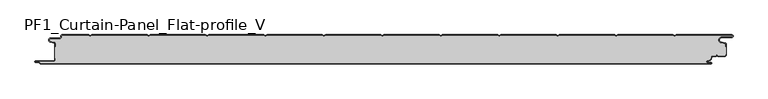
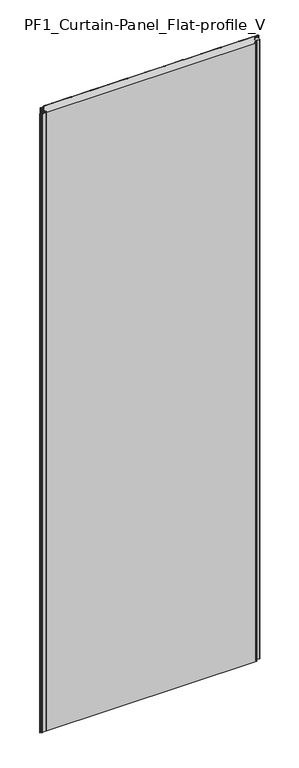
"""IFC4 building model written with IfcOpenShell, lengths in millimetres: plate geometry, PF1_Curtain-Panel_Flat-profile_V."""

import ifcopenshell
import ifcopenshell.guid

model = None  # the IFC model being written
_history = None  # IfcOwnerHistory: only IFC2X3 demands one
_inside = {}  # id of a spatial element -> (the spatial element, [elements in it])
_under = {}  # id of a project, library or spatial element -> (it, [spatial elements below it])
_declared = {}  # id of a project -> (the project, [libraries it declares])
_typed = {}  # id of a type object -> (the type object, [elements of that type])
_made_of = {}  # id of a material, layer set ... -> (it, [elements and type objects made of it])


def new_model(schema):
    """Start an empty IFC model of exactly this schema.

    Asked for "IFC4X3", IfcOpenShell would pick the latest addendum, in which some entities
    have other attributes; the version numbers below select the first issue.
    IFC2X3 requires an IfcOwnerHistory on every rooted entity: one is made here for all.
    """
    global model, _history
    if schema == "IFC4X3":
        model = ifcopenshell.file(schema_version=(4, 3, 0, 0))
    else:
        model = ifcopenshell.file(schema=schema)
    _inside.clear()
    _under.clear()
    _declared.clear()
    _typed.clear()
    _made_of.clear()
    _history = None
    if model.schema == "IFC2X3":
        org = make("IfcOrganization", Name="unknown")
        user = make(
            "IfcPersonAndOrganization",
            ThePerson=make("IfcPerson", FamilyName="unknown"),
            TheOrganization=org,
        )
        app = make(
            "IfcApplication",
            ApplicationDeveloper=org,
            Version="unknown",
            ApplicationFullName="unknown",
            ApplicationIdentifier="unknown",
        )
        _history = make(
            "IfcOwnerHistory",
            OwningUser=user,
            OwningApplication=app,
            ChangeAction="ADDED",
            CreationDate=0,
        )
    return model


def make(cls, **values):
    """One entity of the class cls with the attributes given. An attribute that is None is left unset."""
    return model.create_entity(
        cls, **{name: value for name, value in values.items() if value is not None}
    )


def rooted(cls, **values):
    """An entity with a GlobalId (a new one), such as an element, a storey or a relation."""
    return make(cls, GlobalId=ifcopenshell.guid.new(), OwnerHistory=_history, **values)


def si_unit(unit_type, name, prefix=None):
    """IfcSIUnit, for example si_unit("LENGTHUNIT", "METRE", prefix="MILLI")."""
    return make("IfcSIUnit", UnitType=unit_type, Prefix=prefix, Name=name)


def assignment(units):
    """IfcUnitAssignment: the units of a project."""
    return None if units is None else make("IfcUnitAssignment", Units=units)


def point(xyz):
    """IfcCartesianPoint."""
    return None if xyz is None else make("IfcCartesianPoint", Coordinates=xyz)


def direction(xyz):
    """IfcDirection."""
    return None if xyz is None else make("IfcDirection", DirectionRatios=xyz)


def frame(location, z_axis=None, x_axis=None):
    """IfcAxis2Placement3D, a coordinate frame: its origin and axes. An axis left out is left unset."""
    return make(
        "IfcAxis2Placement3D",
        Location=point(location),
        Axis=direction(z_axis),
        RefDirection=direction(x_axis),
    )


def frame_2d(location, x_axis=None):
    """IfcAxis2Placement2D, a coordinate frame in the plane: its origin and x axis."""
    return make(
        "IfcAxis2Placement2D", Location=point(location), RefDirection=direction(x_axis)
    )


def origin():
    """The frame at (0, 0, 0) with its axes left unset."""
    return frame((0.0, 0.0, 0.0))


def origin_with_axes():
    """The frame at (0, 0, 0) with the z axis (0, 0, 1) and the x axis (1, 0, 0) written out."""
    return frame((0.0, 0.0, 0.0), z_axis=(0.0, 0.0, 1.0), x_axis=(1.0, 0.0, 0.0))


def place(relative_to, where):
    """IfcLocalPlacement: puts the frame where relative to a parent placement (None: the world)."""
    return make(
        "IfcLocalPlacement", PlacementRelTo=relative_to, RelativePlacement=where
    )


def context(
    kind, dimensions, precision=None, world=None, true_north=None, identifier=None
):
    """IfcGeometricRepresentationContext, for example the 3D "Model" context."""
    return make(
        "IfcGeometricRepresentationContext",
        ContextIdentifier=identifier,
        ContextType=kind,
        CoordinateSpaceDimension=dimensions,
        Precision=precision,
        WorldCoordinateSystem=world,
        TrueNorth=true_north,
    )


def project(units=None, contexts=None):
    """IfcProject with its units and contexts."""
    return rooted(
        "IfcProject",
        Name="project",
        RepresentationContexts=contexts,
        UnitsInContext=assignment(units),
    )


def spatial(cls, under=None, at=None, **own):
    """A site, building, storey or space (cls), placed at a placement, below another one or the project."""
    s = rooted(cls, ObjectPlacement=at, **own)
    if under is not None:
        _under.setdefault(under.id(), (under, []))[1].append(s)
    return s


def polyline(points):
    """IfcPolyline through the points."""
    return make("IfcPolyline", Points=[point(p) for p in points])


def circle_curve(where, radius):
    """IfcCircle in the frame where."""
    return make("IfcCircle", Position=where, Radius=radius)


def trimmed(basis, trim1, trim2, sense, master):
    """IfcTrimmedCurve: the piece of a basis curve between two trims."""
    return make(
        "IfcTrimmedCurve",
        BasisCurve=basis,
        Trim1=trim1,
        Trim2=trim2,
        SenseAgreement=sense,
        MasterRepresentation=master,
    )


def segment(curve, same_sense, transition):
    """IfcCompositeCurveSegment."""
    return make(
        "IfcCompositeCurveSegment",
        Transition=transition,
        SameSense=same_sense,
        ParentCurve=curve,
    )


def composite_curve(segments, self_intersect=None):
    """IfcCompositeCurve: segments joined end to end."""
    return make("IfcCompositeCurve", Segments=segments, SelfIntersect=self_intersect)


def outline(outer, holes=None, kind="AREA"):
    """IfcArbitraryClosedProfileDef: a profile drawn as a closed curve; with holes, ...WithVoids."""
    if holes is None:
        return make("IfcArbitraryClosedProfileDef", ProfileType=kind, OuterCurve=outer)
    return make(
        "IfcArbitraryProfileDefWithVoids",
        ProfileType=kind,
        OuterCurve=outer,
        InnerCurves=holes,
    )


def extrude(swept, where, along, depth):
    """IfcExtrudedAreaSolid: the profile swept, set in the frame where, extruded along a direction by depth."""
    return make(
        "IfcExtrudedAreaSolid",
        SweptArea=swept,
        Position=where,
        ExtrudedDirection=direction(along),
        Depth=depth,
    )


def shape(context_of_items, identifier, shape_type, items):
    """IfcShapeRepresentation: the items that make up one representation, for example the "Body"."""
    return make(
        "IfcShapeRepresentation",
        ContextOfItems=context_of_items,
        RepresentationIdentifier=identifier,
        RepresentationType=shape_type,
        Items=items,
    )


def source(mapping_origin, context_of_items, identifier, shape_type, items):
    """IfcRepresentationMap: a shape defined once, which mapped items show again and again."""
    return make(
        "IfcRepresentationMap",
        MappingOrigin=mapping_origin,
        MappedRepresentation=shape(context_of_items, identifier, shape_type, items),
    )


def transform(
    local_origin,
    x_axis=None,
    y_axis=None,
    z_axis=None,
    scale=None,
    scale2=None,
    scale3=None,
    uniform=True,
):
    """IfcCartesianTransformationOperator3D, or its non-uniform kind. x_axis, y_axis, z_axis: its Axis1, 2, 3."""
    if uniform:
        return make(
            "IfcCartesianTransformationOperator3D",
            Axis1=direction(x_axis),
            Axis2=direction(y_axis),
            LocalOrigin=point(local_origin),
            Scale=scale,
            Axis3=direction(z_axis),
        )
    return make(
        "IfcCartesianTransformationOperator3DnonUniform",
        Axis1=direction(x_axis),
        Axis2=direction(y_axis),
        LocalOrigin=point(local_origin),
        Scale=scale,
        Axis3=direction(z_axis),
        Scale2=scale2,
        Scale3=scale3,
    )


def mapped(mapping_source, mapping_target):
    """IfcMappedItem: shows the shape of a source again, moved by a transform."""
    return make(
        "IfcMappedItem", MappingSource=mapping_source, MappingTarget=mapping_target
    )


def made_of(thing, what):
    """Note that an element or type object is made of a material, layer set ...; save() writes the relation."""
    if what is not None:
        _made_of.setdefault(what.id(), (what, []))[1].append(thing)
    return thing


def element(
    cls,
    number,
    at=None,
    inside=None,
    cuts=None,
    type_object=None,
    material=None,
    context=None,
    identifier="Body",
    shape_type=None,
    held_by="IfcProductDefinitionShape",
    body=None,
    shapes=None,
    **own,
):
    """One element of the class cls, such as IfcWall. Its Tag is "e" and its number.

    at: its placement. inside: the storey or other place that contains it. cuts: it is an
    opening in that element (IfcRelVoidsElement). A single representation is given by context,
    identifier, shape_type and body (its items); several are given by shapes. held_by: the class
    of the entity that holds the representations. save() writes the other relations.
    """
    e = rooted(cls, Tag="e%d" % number, ObjectPlacement=at, **own)
    if body is not None:
        shapes = [shape(context, identifier, shape_type, body)]
    if shapes is not None:
        e.Representation = make(held_by, Representations=shapes)
    if inside is not None:
        _inside.setdefault(inside.id(), (inside, []))[1].append(e)
    if cuts is not None:
        rooted(
            "IfcRelVoidsElement", RelatingBuildingElement=cuts, RelatedOpeningElement=e
        )
    if type_object is not None:
        _typed.setdefault(type_object.id(), (type_object, []))[1].append(e)
    return made_of(e, material)


def aggregate(whole, parts):
    """IfcRelAggregates: a whole, such as a stair, and the parts it consists of."""
    return rooted("IfcRelAggregates", RelatingObject=whole, RelatedObjects=parts)


def save(model, path):
    """Write the relations noted so far, then the file.

    IfcRelAggregates (storeys below a building ...), IfcRelContainedInSpatialStructure (elements
    in a storey), IfcRelDefinesByType, IfcRelAssociatesMaterial and IfcRelDeclares: one each for
    every whole, place, type object, material and project.
    """
    for whole, parts in _under.values():
        aggregate(whole, parts)
    for where, things in _inside.values():
        rooted(
            "IfcRelContainedInSpatialStructure",
            RelatedElements=things,
            RelatingStructure=where,
        )
    for kind, things in _typed.values():
        rooted("IfcRelDefinesByType", RelatedObjects=things, RelatingType=kind)
    for what, things in _made_of.values():
        rooted("IfcRelAssociatesMaterial", RelatedObjects=things, RelatingMaterial=what)
    for by, libraries in _declared.values():
        rooted("IfcRelDeclares", RelatingContext=by, RelatedDefinitions=libraries)
    model.write(path)


def pf1_curtain_panel_flat_profile_v_05da04cb(model_context):
    return source(origin(), model_context, "Body", "SweptSolid", [
        extrude(outline(composite_curve([segment(trimmed(circle_curve(frame_2d((-577.0, -15.878557)), 2.0), [point((-575.0, -15.878557))], [point((-576.5500978, -13.9298169))], True, "CARTESIAN"), True, "CONTINUOUS"), segment(polyline([(-576.5500978, -13.9298169), (-582.7098239, -12.507732)]), True, "CONTINUOUS"), segment(trimmed(circle_curve(frame_2d((-581.9, -9.0)), 3.6), [point((-582.7098239, -12.507732))], [point((-581.9, -5.4))], False, "CARTESIAN"), True, "CONTINUOUS"), segment(polyline([(-581.9, -5.4), (-566.4, -5.4)]), True, "CONTINUOUS"), segment(trimmed(circle_curve(frame_2d((-566.4, -3.4)), 2.0), [point((-566.4, -5.4))], [point((-564.4, -3.4))], True, "CARTESIAN"), True, "CONTINUOUS"), segment(polyline([(-564.4, -3.4), (-564.4, -2.0)]), True, "CONTINUOUS"), segment(trimmed(circle_curve(frame_2d((-562.4, -2.0)), 2.0), [point((-564.4, -2.0))], [point((-562.4, 0.0))], False, "CARTESIAN"), True, "CONTINUOUS"), segment(polyline([(-562.4, 0.0), (-517.0999995, 0.0), (-514.4, -1.5588455), (-511.7000005, 0.0), (-417.0999995, 0.0), (-414.4, -1.5588455), (-411.7000005, 0.0), (-317.0999995, 0.0), (-314.4, -1.5588455), (-311.7000005, 0.0), (-217.0999995, 0.0), (-214.4, -1.5588455), (-211.7000005, 0.0), (-117.0999995, 0.0), (-114.4, -1.5588455), (-111.7000005, 0.0), (-17.0999995, 0.0), (-14.4, -1.5588455), (-11.7000005, 0.0), (82.9000005, 0.0), (85.6, -1.5588455), (88.2999995, 0.0), (182.9000005, 0.0), (185.6, -1.5588455), (188.2999995, 0.0), (282.9000005, 0.0), (285.6, -1.5588455), (288.2999995, 0.0), (382.9000005, 0.0), (385.6, -1.5588455), (388.2999995, 0.0), (482.9000005, 0.0), (485.6, -1.5588455), (488.2999995, 0.0), (583.268846, 0.0)]), True, "CONTINUOUS"), segment(trimmed(circle_curve(frame_2d((583.268846, -2.5)), 2.5), [point((583.268846, 0.0))], [point((583.268846, -5.0))], False, "CARTESIAN"), True, "CONTINUOUS"), segment(polyline([(583.268846, -5.0), (566.268846, -5.0)]), True, "CONTINUOUS"), segment(trimmed(circle_curve(frame_2d((566.268846, -9.0)), 4.0), [point((566.268846, -5.0))], [point((565.574253, -12.939231))], True, "CARTESIAN"), True, "CONTINUOUS"), segment(polyline([(565.574253, -12.939231), (572.0203315, -14.0758491)]), True, "CONTINUOUS"), segment(trimmed(circle_curve(frame_2d((571.568846, -16.6363492)), 2.6), [point((572.0203315, -14.0758491))], [point((574.168846, -16.6363492))], False, "CARTESIAN"), True, "CONTINUOUS"), segment(polyline([(574.168846, -16.6363492), (574.168846, -20.0), (573.368846, -20.0), (573.368846, -16.6363492)]), True, "CONTINUOUS"), segment(trimmed(circle_curve(frame_2d((571.568846, -16.6363492)), 1.8), [point((573.368846, -16.6363492))], [point((571.8814129, -14.8636953))], True, "CARTESIAN"), True, "CONTINUOUS"), segment(polyline([(571.8814129, -14.8636953), (565.4353344, -13.7270772)]), True, "CONTINUOUS"), segment(trimmed(circle_curve(frame_2d((566.268846, -9.0)), 4.8), [point((565.4353344, -13.7270772))], [point((566.268846, -4.2))], False, "CARTESIAN"), True, "CONTINUOUS"), segment(polyline([(566.268846, -4.2), (583.268846, -4.2)]), True, "CONTINUOUS"), segment(trimmed(circle_curve(frame_2d((583.268846, -2.5)), 1.7), [point((583.268846, -4.2))], [point((583.268846, -0.8))], True, "CARTESIAN"), True, "CONTINUOUS"), segment(polyline([(583.268846, -0.8), (488.5143588, -0.8), (485.6, -2.482606), (482.6856412, -0.8), (388.5143588, -0.8), (385.6, -2.482606), (382.6856412, -0.8), (288.5143588, -0.8), (285.6, -2.482606), (282.6856412, -0.8), (188.5143588, -0.8), (185.6, -2.482606), (182.6856412, -0.8), (88.5143588, -0.8), (85.6, -2.482606), (82.6856412, -0.8), (-11.4856412, -0.8), (-14.4, -2.482606), (-17.3143588, -0.8), (-111.4856412, -0.8), (-114.4, -2.482606), (-117.3143588, -0.8), (-211.4856412, -0.8), (-214.4, -2.482606), (-217.3143588, -0.8), (-311.4856412, -0.8), (-314.4, -2.482606), (-317.3143588, -0.8), (-411.4856412, -0.8), (-414.4, -2.482606), (-417.3143588, -0.8), (-511.4856412, -0.8), (-514.4, -2.482606), (-517.3143588, -0.8), (-562.4, -0.8)]), True, "CONTINUOUS"), segment(trimmed(circle_curve(frame_2d((-562.4, -2.0)), 1.2), [point((-562.4, -0.8))], [point((-563.6, -2.0))], True, "CARTESIAN"), True, "CONTINUOUS"), segment(polyline([(-563.6, -2.0), (-563.6, -3.4)]), True, "CONTINUOUS"), segment(trimmed(circle_curve(frame_2d((-566.4, -3.4)), 2.8), [point((-563.6, -3.4))], [point((-566.4, -6.2))], False, "CARTESIAN"), True, "CONTINUOUS"), segment(polyline([(-566.4, -6.2), (-581.9, -6.2)]), True, "CONTINUOUS"), segment(trimmed(circle_curve(frame_2d((-581.9, -9.0)), 2.8), [point((-581.9, -6.2))], [point((-582.529863, -11.7282362))], True, "CARTESIAN"), True, "CONTINUOUS"), segment(polyline([(-582.529863, -11.7282362), (-576.370137, -13.150321)]), True, "CONTINUOUS"), segment(trimmed(circle_curve(frame_2d((-577.0, -15.878557)), 2.8), [point((-576.370137, -13.150321))], [point((-574.2, -15.878557))], False, "CARTESIAN"), True, "CONTINUOUS"), segment(polyline([(-574.2, -15.878557), (-574.2, -20.0), (-575.0, -20.0), (-575.0, -15.878557)]), True, "CONTINUOUS")], self_intersect=False)), origin_with_axes(), (0.0, 0.0, 1.0), 3500.0),
        extrude(outline(composite_curve([segment(polyline([(-574.2, -40.0), (-575.0, -40.0), (-575.0, -20.0), (-574.2, -20.0), (-574.2, -15.878557)]), True, "CONTINUOUS"), segment(trimmed(circle_curve(frame_2d((-577.0, -15.878557)), 2.8), [point((-574.2, -15.878557))], [point((-576.370137, -13.1503208))], True, "CARTESIAN"), True, "CONTINUOUS"), segment(polyline([(-576.370137, -13.1503208), (-582.529863, -11.7282362)]), True, "CONTINUOUS"), segment(trimmed(circle_curve(frame_2d((-581.9, -9.0)), 2.8), [point((-582.529863, -11.7282362))], [point((-581.9, -6.2))], False, "CARTESIAN"), True, "CONTINUOUS"), segment(polyline([(-581.9, -6.2), (-566.4, -6.2)]), True, "CONTINUOUS"), segment(trimmed(circle_curve(frame_2d((-566.4, -3.4)), 2.8), [point((-566.4, -6.2))], [point((-563.6, -3.4))], True, "CARTESIAN"), True, "CONTINUOUS"), segment(polyline([(-563.6, -3.4), (-563.6, -2.0)]), True, "CONTINUOUS"), segment(trimmed(circle_curve(frame_2d((-562.4, -2.0)), 1.2), [point((-563.6, -2.0))], [point((-562.4, -0.8))], False, "CARTESIAN"), True, "CONTINUOUS"), segment(polyline([(-562.4, -0.8), (-517.3143588, -0.8), (-514.4, -2.482606), (-511.4856412, -0.8), (-417.3143588, -0.8), (-414.4, -2.482606), (-411.4856412, -0.8), (-317.3143588, -0.8), (-314.4, -2.482606), (-311.4856412, -0.8), (-217.3143588, -0.8), (-214.4, -2.482606), (-211.4856412, -0.8), (-117.3143588, -0.8), (-114.4, -2.482606), (-111.4856412, -0.8), (-17.3143588, -0.8), (-14.4, -2.482606), (-11.4856412, -0.8), (82.6856412, -0.8), (85.6, -2.482606), (88.5143588, -0.8), (182.6856412, -0.8), (185.6, -2.482606), (188.5143588, -0.8), (282.6856412, -0.8), (285.6, -2.482606), (288.5143588, -0.8), (382.6856412, -0.8), (385.6, -2.482606), (388.5143588, -0.8), (482.6856412, -0.8), (485.6, -2.482606), (488.5143588, -0.8), (583.268846, -0.8)]), True, "CONTINUOUS"), segment(trimmed(circle_curve(frame_2d((583.268846, -2.5)), 1.7), [point((583.268846, -0.8))], [point((583.268846, -4.2))], False, "CARTESIAN"), True, "CONTINUOUS"), segment(polyline([(583.268846, -4.2), (566.268846, -4.2)]), True, "CONTINUOUS"), segment(trimmed(circle_curve(frame_2d((566.268846, -9.0)), 4.8), [point((566.268846, -4.2))], [point((565.4353344, -13.7270772))], True, "CARTESIAN"), True, "CONTINUOUS"), segment(polyline([(565.4353344, -13.7270772), (571.8814129, -14.8636953)]), True, "CONTINUOUS"), segment(trimmed(circle_curve(frame_2d((571.568846, -16.6363492)), 1.8), [point((571.8814129, -14.8636953))], [point((573.368846, -16.6363492))], False, "CARTESIAN"), True, "CONTINUOUS"), segment(polyline([(573.368846, -16.6363492), (573.368846, -20.0), (574.168846, -20.0), (574.168846, -33.0), (573.368846, -33.0), (573.368846, -34.4)]), True, "CONTINUOUS"), segment(trimmed(circle_curve(frame_2d((571.568846, -34.4)), 1.8), [point((573.368846, -34.4))], [point((571.568846, -36.2))], False, "CARTESIAN"), True, "CONTINUOUS"), segment(polyline([(571.568846, -36.2), (560.0002158, -36.2), (558.168846, -34.3686285), (556.3374762, -36.2), (550.168846, -36.2)]), True, "CONTINUOUS"), segment(trimmed(circle_curve(frame_2d((550.168846, -38.0)), 1.8), [point((550.168846, -36.2))], [point((548.368846, -38.0))], True, "CARTESIAN"), True, "CONTINUOUS"), segment(polyline([(548.368846, -38.0), (548.368846, -38.8276204)]), True, "CONTINUOUS"), segment(trimmed(circle_curve(frame_2d((542.9964664, -38.8276204)), 5.3723796), [point((548.368846, -38.8276204))], [point((542.9964664, -44.2))], False, "CARTESIAN"), True, "CONTINUOUS"), segment(polyline([(542.9964664, -44.2), (542.168846, -44.2)]), True, "CONTINUOUS"), segment(trimmed(circle_curve(frame_2d((542.168846, -46.4)), 2.2), [point((542.168846, -44.2))], [point((542.168846, -48.6))], True, "CARTESIAN"), True, "CONTINUOUS"), segment(polyline([(542.168846, -48.6), (548.0579973, -48.6)]), True, "CONTINUOUS"), segment(trimmed(circle_curve(frame_2d((548.0579973, -48.9)), 0.3), [point((548.0579973, -48.6))], [point((548.0579973, -49.2))], False, "CARTESIAN"), True, "CONTINUOUS"), segment(polyline([(548.0579973, -49.2), (-599.4, -49.2)]), True, "CONTINUOUS"), segment(trimmed(circle_curve(frame_2d((-599.4, -48.4)), 0.8), [point((-599.4, -49.2))], [point((-600.2, -48.4))], False, "CARTESIAN"), True, "CONTINUOUS"), segment(trimmed(circle_curve(frame_2d((-601.9, -48.6133333)), 1.7133333), [point((-600.2, -48.4))], [point((-601.9, -46.9))], True, "CARTESIAN"), True, "CONTINUOUS"), segment(polyline([(-601.9, -46.9), (-607.8700312, -46.9)]), True, "CONTINUOUS"), segment(trimmed(circle_curve(frame_2d((-607.8700312, -46.6)), 0.3), [point((-607.8700312, -46.9))], [point((-607.8700312, -46.3))], False, "CARTESIAN"), True, "CONTINUOUS"), segment(polyline([(-607.8700312, -46.3), (-577.0, -46.3)]), True, "CONTINUOUS"), segment(trimmed(circle_curve(frame_2d((-577.0, -43.5)), 2.8), [point((-577.0, -46.3))], [point((-574.2, -43.5))], True, "CARTESIAN"), True, "CONTINUOUS"), segment(polyline([(-574.2, -43.5), (-574.2, -40.0)]), True, "CONTINUOUS")], self_intersect=False)), origin_with_axes(), (0.0, 0.0, 1.0), 3500.0),
        extrude(outline(composite_curve([segment(polyline([(-575.0, -40.0), (-574.2, -40.0), (-574.2, -43.5)]), True, "CONTINUOUS"), segment(trimmed(circle_curve(frame_2d((-577.0, -43.5)), 2.8), [point((-574.2, -43.5))], [point((-577.0, -46.3))], False, "CARTESIAN"), True, "CONTINUOUS"), segment(polyline([(-577.0, -46.3), (-607.8700312, -46.3)]), True, "CONTINUOUS"), segment(trimmed(circle_curve(frame_2d((-607.8700312, -46.6)), 0.3), [point((-607.8700312, -46.3))], [point((-607.8700312, -46.9))], True, "CARTESIAN"), True, "CONTINUOUS"), segment(polyline([(-607.8700312, -46.9), (-601.9, -46.9)]), True, "CONTINUOUS"), segment(trimmed(circle_curve(frame_2d((-601.9, -48.6133333)), 1.7133333), [point((-601.9, -46.9))], [point((-600.2, -48.4))], False, "CARTESIAN"), True, "CONTINUOUS"), segment(trimmed(circle_curve(frame_2d((-599.4, -48.4)), 0.8), [point((-600.2, -48.4))], [point((-599.4, -49.2))], True, "CARTESIAN"), True, "CONTINUOUS"), segment(polyline([(-599.4, -49.2), (548.0579973, -49.2)]), True, "CONTINUOUS"), segment(trimmed(circle_curve(frame_2d((548.0579973, -48.9)), 0.3), [point((548.0579973, -49.2))], [point((548.0579973, -48.6))], True, "CARTESIAN"), True, "CONTINUOUS"), segment(polyline([(548.0579973, -48.6), (542.168846, -48.6)]), True, "CONTINUOUS"), segment(trimmed(circle_curve(frame_2d((542.168846, -46.4)), 2.2), [point((542.168846, -48.6))], [point((542.168846, -44.2))], False, "CARTESIAN"), True, "CONTINUOUS"), segment(polyline([(542.168846, -44.2), (542.9964664, -44.2)]), True, "CONTINUOUS"), segment(trimmed(circle_curve(frame_2d((542.9964664, -38.8276204)), 5.3723796), [point((542.9964664, -44.2))], [point((548.368846, -38.8276204))], True, "CARTESIAN"), True, "CONTINUOUS"), segment(polyline([(548.368846, -38.8276204), (548.368846, -38.0)]), True, "CONTINUOUS"), segment(trimmed(circle_curve(frame_2d((550.168846, -38.0)), 1.8), [point((548.368846, -38.0))], [point((550.168846, -36.2))], False, "CARTESIAN"), True, "CONTINUOUS"), segment(polyline([(550.168846, -36.2), (556.3374762, -36.2), (558.168846, -34.3686285), (560.0002158, -36.2), (571.568846, -36.2)]), True, "CONTINUOUS"), segment(trimmed(circle_curve(frame_2d((571.568846, -34.4)), 1.8), [point((571.568846, -36.2))], [point((573.368846, -34.4))], True, "CARTESIAN"), True, "CONTINUOUS"), segment(polyline([(573.368846, -34.4), (573.368846, -33.0), (574.168846, -33.0), (574.168846, -34.4)]), True, "CONTINUOUS"), segment(trimmed(circle_curve(frame_2d((571.568846, -34.4)), 2.6), [point((574.168846, -34.4))], [point((571.568846, -37.0))], False, "CARTESIAN"), True, "CONTINUOUS"), segment(polyline([(571.568846, -37.0), (559.6688448, -37.0), (558.168846, -35.4999999), (556.6688472, -37.0), (550.168846, -37.0)]), True, "CONTINUOUS"), segment(trimmed(circle_curve(frame_2d((550.168846, -38.0)), 1.0), [point((550.168846, -37.0))], [point((549.168846, -38.0))], True, "CARTESIAN"), True, "CONTINUOUS"), segment(polyline([(549.168846, -38.0), (549.168846, -38.8276204)]), True, "CONTINUOUS"), segment(trimmed(circle_curve(frame_2d((542.9964664, -38.8276204)), 6.1723796), [point((549.168846, -38.8276204))], [point((542.9964664, -45.0))], False, "CARTESIAN"), True, "CONTINUOUS"), segment(polyline([(542.9964664, -45.0), (542.168846, -45.0)]), True, "CONTINUOUS"), segment(trimmed(circle_curve(frame_2d((542.168846, -46.5)), 1.5), [point((542.168846, -45.0))], [point((542.168846, -48.0))], True, "CARTESIAN"), True, "CONTINUOUS"), segment(polyline([(542.168846, -48.0), (548.168846, -48.0)]), True, "CONTINUOUS"), segment(trimmed(circle_curve(frame_2d((548.168846, -49.0)), 1.0), [point((548.168846, -48.0))], [point((548.168846, -50.0))], False, "CARTESIAN"), True, "CONTINUOUS"), segment(polyline([(548.168846, -50.0), (-599.4, -50.0)]), True, "CONTINUOUS"), segment(trimmed(circle_curve(frame_2d((-599.4, -48.4)), 1.6), [point((-599.4, -50.0))], [point((-601.0, -48.4))], False, "CARTESIAN"), True, "CONTINUOUS"), segment(trimmed(circle_curve(frame_2d((-601.9, -48.4)), 0.9), [point((-601.0, -48.4))], [point((-601.9, -47.5))], True, "CARTESIAN"), True, "CONTINUOUS"), segment(polyline([(-601.9, -47.5), (-608.0, -47.5)]), True, "CONTINUOUS"), segment(trimmed(circle_curve(frame_2d((-608.0, -46.5)), 1.0), [point((-608.0, -47.5))], [point((-608.0, -45.5))], False, "CARTESIAN"), True, "CONTINUOUS"), segment(polyline([(-608.0, -45.5), (-577.0, -45.5)]), True, "CONTINUOUS"), segment(trimmed(circle_curve(frame_2d((-577.0, -43.5)), 2.0), [point((-577.0, -45.5))], [point((-575.0, -43.5))], True, "CARTESIAN"), True, "CONTINUOUS"), segment(polyline([(-575.0, -43.5), (-575.0, -40.0)]), True, "CONTINUOUS")], self_intersect=False)), origin_with_axes(), (0.0, 0.0, 1.0), 3500.0),
    ])


if __name__ == "__main__":
    model = new_model("IFC4")
    model_context = context("Model", 3, world=origin())
    ifc_project = project(units=[si_unit("LENGTHUNIT", "METRE", prefix="MILLI")], contexts=[model_context])
    site = spatial("IfcSite", under=ifc_project)
    building = spatial("IfcBuilding", under=site)
    placement = place(None, origin())
    pf1_curtain_panel_flat_profile_v_shape = pf1_curtain_panel_flat_profile_v_05da04cb(model_context)
    element("IfcPlate", 1, ObjectType="PF1_Curtain-Panel_Flat-profile_V", at=placement, inside=building, context=model_context, shape_type="MappedRepresentation", body=[
        mapped(pf1_curtain_panel_flat_profile_v_shape, transform((0.0, 0.0, 0.0), x_axis=(1.0, 0.0, 0.0), y_axis=(0.0, 1.0, 0.0), z_axis=(0.0, 0.0, 1.0))),
    ])
    save(model, "model.ifc")
